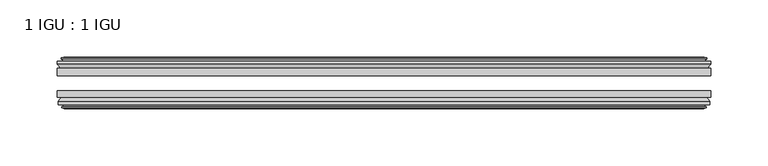
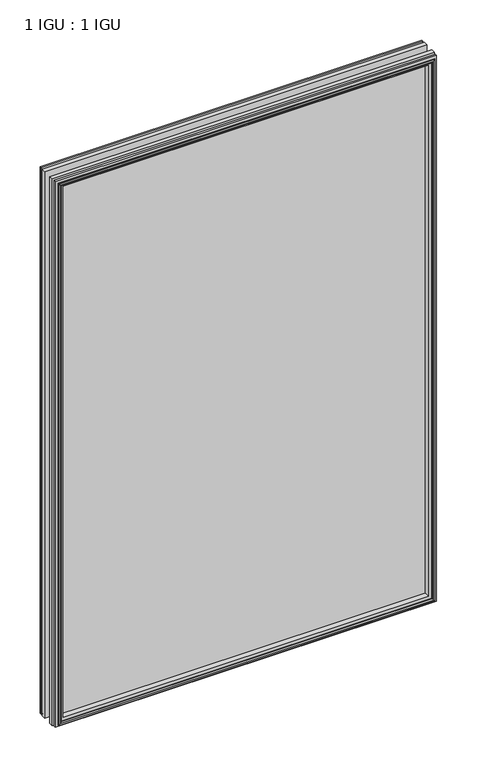
"""IFC4 building model written with IfcOpenShell, lengths in millimetres: plate geometry, 1 IGU : 1 IGU."""

from ifc_helpers import new_model, si_unit, frame, origin, place, context, project, spatial, polyline, outline, extrude, faceted_brep, source, transform, mapped, element, save


def plate_1_igu_1_igu_5a257429(model_context):
    return source(origin(), model_context, "Body", "SolidModel", [
        extrude(outline(polyline([(285.75, -19.5460937), (285.75, -25.8960938), (-285.75, -25.8960938), (-285.75, -19.5460937), (285.75, -19.5460937)])), frame((0.0, 0.0, -12.7), z_axis=(0.0, 0.0, 1.0), x_axis=(1.0, 0.0, 0.0)), (0.0, 0.0, 1.0), 863.6104046),
        extrude(outline(polyline([(-285.75, -44.9460938), (-285.75, -38.9186737), (285.75, -38.9186737), (285.75, -44.9460938), (-285.75, -44.9460938)])), frame((0.0, 0.0, -12.7), z_axis=(0.0, 0.0, 1.0), x_axis=(1.0, 0.0, 0.0)), (0.0, 0.0, 1.0), 863.6104046),
        faceted_brep([(-280.162, -53.6762907, 845.3224046), (-280.543, -51.2960937, 845.7034046), (-280.543, -51.2960937, -7.493), (-280.162, -53.6762907, -7.112), (-281.5775291, -53.2163575, 846.7379337), (-281.5775291, -53.2163575, -8.5275291), (-281.5775291, -54.0175717, 846.7379337), (-281.5775291, -54.0175717, -8.5275291), (-279.4, -54.7250937, 844.5604046), (-279.4, -54.7250937, -6.35), (-277.2224709, -54.0175717, 842.3828756), (-277.2224709, -54.0175717, -4.1724709), (-277.2224709, -53.2163575, 842.3828756), (-277.2224709, -53.2163575, -4.1724709), (-278.638, -53.6762907, 843.7984046), (-278.638, -53.6762907, -5.588), (-278.257, -51.2960937, 843.4174046), (-278.257, -51.2960937, -5.207), (-271.3322819, -44.9460937, 836.4926865), (-273.05, -51.2960937, 838.2104046), (-273.05, -51.2960937, 0.0), (-271.3322819, -44.9460937, 1.7177181), (-284.988, -48.3496937, 850.1484046), (-282.1536578, -44.9460937, 847.3140624), (-282.1536578, -44.9460937, -9.1036578), (-284.988, -48.3496937, -11.938), (-284.988, -51.2960937, 850.1484046), (-284.988, -51.2960937, -11.938), (280.543, -51.2960938, -7.493), (280.162, -53.6762907, -7.112), (281.5775291, -53.2163575, -8.5275291), (281.5775291, -54.0175717, -8.5275291), (279.4, -54.7250937, -6.35), (277.2224709, -54.0175717, -4.1724709), (277.2224709, -53.2163575, -4.1724709), (278.638, -53.6762907, -5.588), (278.257, -51.2960937, -5.207), (273.05, -51.2960937, 0.0), (271.3322819, -44.9460937, 1.7177181), (282.1536578, -44.9460937, -9.1036578), (284.988, -48.3496937, -11.938), (284.988, -51.2960938, -11.938), (280.543, -51.2960938, 845.7034046), (280.162, -53.6762907, 845.3224046), (281.5775291, -53.2163575, 846.7379337), (281.5775291, -54.0175717, 846.7379337), (279.4, -54.7250937, 844.5604046), (277.2224709, -54.0175717, 842.3828756), (277.2224709, -53.2163575, 842.3828756), (278.638, -53.6762907, 843.7984046), (278.257, -51.2960937, 843.4174046), (273.05, -51.2960937, 838.2104046), (271.3322819, -44.9460937, 836.4926865), (282.1536578, -44.9460937, 847.3140624), (284.988, -48.3496937, 850.1484046), (284.988, -51.2960938, 850.1484046)], [[[0, 1, 2, 3]], [[4, 0, 3, 5]], [[6, 4, 5, 7]], [[8, 6, 7, 9]], [[10, 8, 9, 11]], [[12, 10, 11, 13]], [[14, 12, 13, 15]], [[16, 14, 15, 17]], [[18, 19, 20, 21]], [[22, 23, 24, 25]], [[26, 22, 25, 27]], [[3, 2, 28, 29]], [[5, 3, 29, 30]], [[7, 5, 30, 31]], [[9, 7, 31, 32]], [[11, 9, 32, 33]], [[13, 11, 33, 34]], [[15, 13, 34, 35]], [[17, 15, 35, 36]], [[21, 20, 37, 38]], [[25, 24, 39, 40]], [[27, 25, 40, 41]], [[29, 28, 42, 43]], [[30, 29, 43, 44]], [[31, 30, 44, 45]], [[32, 31, 45, 46]], [[33, 32, 46, 47]], [[34, 33, 47, 48]], [[35, 34, 48, 49]], [[36, 35, 49, 50]], [[38, 37, 51, 52]], [[40, 39, 53, 54]], [[41, 40, 54, 55]], [[27, 41, 55, 26], [1, 42, 28, 2]], [[43, 42, 1, 0]], [[44, 43, 0, 4]], [[45, 44, 4, 6]], [[46, 45, 6, 8]], [[47, 46, 8, 10]], [[48, 47, 10, 12]], [[49, 48, 12, 14]], [[50, 49, 14, 16]], [[17, 36, 50, 16], [19, 51, 37, 20]], [[52, 51, 19, 18]], [[23, 53, 39, 24], [21, 38, 52, 18]], [[54, 53, 23, 22]], [[55, 54, 22, 26]]]),
        faceted_brep([(-282.6743578, -19.5460937, 847.8347624), (-285.5087, -16.1424937, 850.6691046), (-285.5087, -16.1424937, -12.4587), (-282.6743578, -19.5460937, -9.6243578), (-273.5707, -13.1960937, 838.7311046), (-271.8529819, -19.5460937, 837.0133865), (-271.8529819, -19.5460937, 1.1970181), (-273.5707, -13.1960937, -0.5207), (-279.1587, -10.8158968, 844.3191046), (-278.7777, -13.1960937, 843.9381046), (-278.7777, -13.1960937, -5.7277), (-279.1587, -10.8158968, -6.1087), (-277.7431709, -11.27583, 842.9035756), (-277.7431709, -11.27583, -4.6931709), (-277.7431709, -10.4746158, 842.9035756), (-277.7431709, -10.4746158, -4.6931709), (-279.9207, -9.7670937, 845.0811046), (-279.9207, -9.7670937, -6.8707), (-282.0982291, -10.4746158, 847.2586337), (-282.0982291, -10.4746158, -9.0482291), (-282.0982291, -11.27583, 847.2586337), (-282.0982291, -11.27583, -9.0482291), (-280.6827, -10.8158968, 845.8431046), (-280.6827, -10.8158968, -7.6327), (-281.0637, -13.1960937, 846.2241046), (-281.0637, -13.1960937, -8.0137), (-285.5087, -13.1960937, 850.6691046), (-285.5087, -13.1960937, -12.4587), (285.5087, -16.1424937, -12.4587), (282.6743578, -19.5460937, -9.6243578), (271.8529819, -19.5460937, 1.1970181), (273.5707, -13.1960937, -0.5207), (278.7777, -13.1960937, -5.7277), (279.1587, -10.8158968, -6.1087), (277.7431709, -11.27583, -4.6931709), (277.7431709, -10.4746158, -4.6931709), (279.9207, -9.7670937, -6.8707), (282.0982291, -10.4746158, -9.0482291), (282.0982291, -11.27583, -9.0482291), (280.6827, -10.8158968, -7.6327), (281.0637, -13.1960937, -8.0137), (285.5087, -13.1960937, -12.4587), (285.5087, -16.1424937, 850.6691046), (282.6743578, -19.5460937, 847.8347624), (271.8529819, -19.5460937, 837.0133865), (273.5707, -13.1960937, 838.7311046), (278.7777, -13.1960937, 843.9381046), (279.1587, -10.8158968, 844.3191046), (277.7431709, -11.27583, 842.9035756), (277.7431709, -10.4746158, 842.9035756), (279.9207, -9.7670937, 845.0811046), (282.0982291, -10.4746158, 847.2586337), (282.0982291, -11.27583, 847.2586337), (280.6827, -10.8158968, 845.8431046), (281.0637, -13.1960937, 846.2241046), (285.5087, -13.1960937, 850.6691046)], [[[0, 1, 2, 3]], [[4, 5, 6, 7]], [[8, 9, 10, 11]], [[12, 8, 11, 13]], [[14, 12, 13, 15]], [[16, 14, 15, 17]], [[18, 16, 17, 19]], [[20, 18, 19, 21]], [[22, 20, 21, 23]], [[24, 22, 23, 25]], [[1, 26, 27, 2]], [[3, 2, 28, 29]], [[7, 6, 30, 31]], [[11, 10, 32, 33]], [[13, 11, 33, 34]], [[15, 13, 34, 35]], [[17, 15, 35, 36]], [[19, 17, 36, 37]], [[21, 19, 37, 38]], [[23, 21, 38, 39]], [[25, 23, 39, 40]], [[2, 27, 41, 28]], [[29, 28, 42, 43]], [[31, 30, 44, 45]], [[33, 32, 46, 47]], [[34, 33, 47, 48]], [[35, 34, 48, 49]], [[36, 35, 49, 50]], [[37, 36, 50, 51]], [[38, 37, 51, 52]], [[39, 38, 52, 53]], [[40, 39, 53, 54]], [[28, 41, 55, 42]], [[43, 42, 1, 0]], [[3, 29, 43, 0], [5, 44, 30, 6]], [[45, 44, 5, 4]], [[9, 46, 32, 10], [7, 31, 45, 4]], [[47, 46, 9, 8]], [[48, 47, 8, 12]], [[49, 48, 12, 14]], [[50, 49, 14, 16]], [[51, 50, 16, 18]], [[52, 51, 18, 20]], [[53, 52, 20, 22]], [[54, 53, 22, 24]], [[26, 55, 41, 27], [25, 40, 54, 24]], [[42, 55, 26, 1]]]),
    ])


if __name__ == "__main__":
    model = new_model("IFC4")
    model_context = context("Model", 3, world=origin())
    ifc_project = project(units=[si_unit("LENGTHUNIT", "METRE", prefix="MILLI")], contexts=[model_context])
    site = spatial("IfcSite", under=ifc_project)
    building = spatial("IfcBuilding", under=site)
    placement = place(None, origin())
    plate_1_igu_1_igu_shape = plate_1_igu_1_igu_5a257429(model_context)
    element("IfcPlate", 1, ObjectType="1 IGU : 1 IGU", at=placement, inside=building, context=model_context, shape_type="MappedRepresentation", body=[
        mapped(plate_1_igu_1_igu_shape, transform((0.0, 0.0, 0.0), x_axis=(1.0, 0.0, 0.0), y_axis=(0.0, 1.0, 0.0), z_axis=(0.0, 0.0, 1.0))),
    ])
    save(model, "model.ifc")
